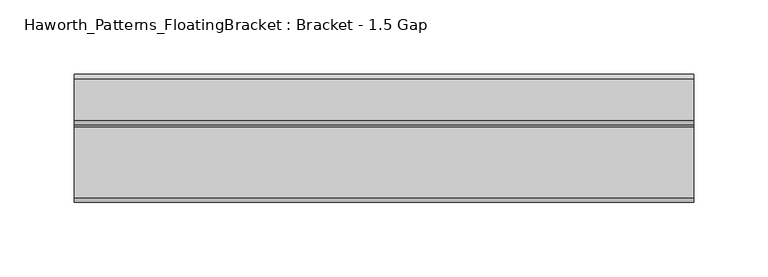
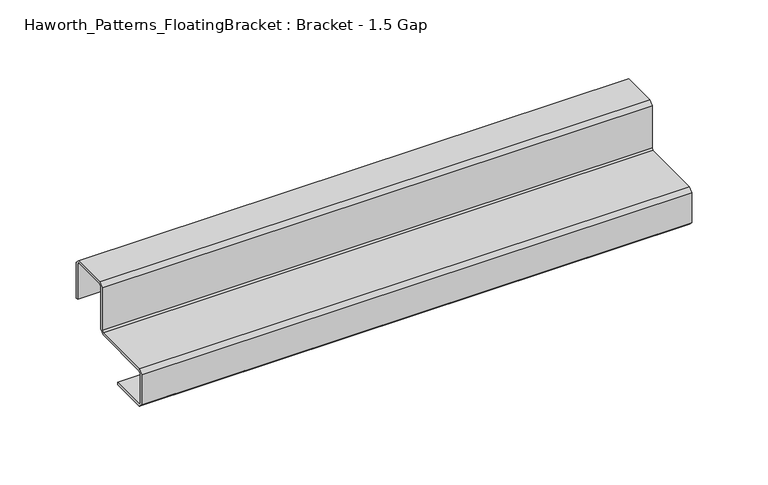
"""IFC4 building model written with IfcOpenShell, lengths in millimetres: furniture geometry, Haworth_Patterns_FloatingBracket : Bracket - 1.5 Gap."""

import ifcopenshell
import ifcopenshell.guid

model = None  # the IFC model being written
_history = None  # IfcOwnerHistory: only IFC2X3 demands one
_inside = {}  # id of a spatial element -> (the spatial element, [elements in it])
_under = {}  # id of a project, library or spatial element -> (it, [spatial elements below it])
_declared = {}  # id of a project -> (the project, [libraries it declares])
_typed = {}  # id of a type object -> (the type object, [elements of that type])
_made_of = {}  # id of a material, layer set ... -> (it, [elements and type objects made of it])


def new_model(schema):
    """Start an empty IFC model of exactly this schema.

    Asked for "IFC4X3", IfcOpenShell would pick the latest addendum, in which some entities
    have other attributes; the version numbers below select the first issue.
    IFC2X3 requires an IfcOwnerHistory on every rooted entity: one is made here for all.
    """
    global model, _history
    if schema == "IFC4X3":
        model = ifcopenshell.file(schema_version=(4, 3, 0, 0))
    else:
        model = ifcopenshell.file(schema=schema)
    _inside.clear()
    _under.clear()
    _declared.clear()
    _typed.clear()
    _made_of.clear()
    _history = None
    if model.schema == "IFC2X3":
        org = make("IfcOrganization", Name="unknown")
        user = make(
            "IfcPersonAndOrganization",
            ThePerson=make("IfcPerson", FamilyName="unknown"),
            TheOrganization=org,
        )
        app = make(
            "IfcApplication",
            ApplicationDeveloper=org,
            Version="unknown",
            ApplicationFullName="unknown",
            ApplicationIdentifier="unknown",
        )
        _history = make(
            "IfcOwnerHistory",
            OwningUser=user,
            OwningApplication=app,
            ChangeAction="ADDED",
            CreationDate=0,
        )
    return model


def make(cls, **values):
    """One entity of the class cls with the attributes given. An attribute that is None is left unset."""
    return model.create_entity(
        cls, **{name: value for name, value in values.items() if value is not None}
    )


def rooted(cls, **values):
    """An entity with a GlobalId (a new one), such as an element, a storey or a relation."""
    return make(cls, GlobalId=ifcopenshell.guid.new(), OwnerHistory=_history, **values)


def si_unit(unit_type, name, prefix=None):
    """IfcSIUnit, for example si_unit("LENGTHUNIT", "METRE", prefix="MILLI")."""
    return make("IfcSIUnit", UnitType=unit_type, Prefix=prefix, Name=name)


def assignment(units):
    """IfcUnitAssignment: the units of a project."""
    return None if units is None else make("IfcUnitAssignment", Units=units)


def point(xyz):
    """IfcCartesianPoint."""
    return None if xyz is None else make("IfcCartesianPoint", Coordinates=xyz)


def direction(xyz):
    """IfcDirection."""
    return None if xyz is None else make("IfcDirection", DirectionRatios=xyz)


def frame(location, z_axis=None, x_axis=None):
    """IfcAxis2Placement3D, a coordinate frame: its origin and axes. An axis left out is left unset."""
    return make(
        "IfcAxis2Placement3D",
        Location=point(location),
        Axis=direction(z_axis),
        RefDirection=direction(x_axis),
    )


def origin():
    """The frame at (0, 0, 0) with its axes left unset."""
    return frame((0.0, 0.0, 0.0))


def place(relative_to, where):
    """IfcLocalPlacement: puts the frame where relative to a parent placement (None: the world)."""
    return make(
        "IfcLocalPlacement", PlacementRelTo=relative_to, RelativePlacement=where
    )


def context(
    kind, dimensions, precision=None, world=None, true_north=None, identifier=None
):
    """IfcGeometricRepresentationContext, for example the 3D "Model" context."""
    return make(
        "IfcGeometricRepresentationContext",
        ContextIdentifier=identifier,
        ContextType=kind,
        CoordinateSpaceDimension=dimensions,
        Precision=precision,
        WorldCoordinateSystem=world,
        TrueNorth=true_north,
    )


def project(units=None, contexts=None):
    """IfcProject with its units and contexts."""
    return rooted(
        "IfcProject",
        Name="project",
        RepresentationContexts=contexts,
        UnitsInContext=assignment(units),
    )


def spatial(cls, under=None, at=None, **own):
    """A site, building, storey or space (cls), placed at a placement, below another one or the project."""
    s = rooted(cls, ObjectPlacement=at, **own)
    if under is not None:
        _under.setdefault(under.id(), (under, []))[1].append(s)
    return s


def polyline(points):
    """IfcPolyline through the points."""
    return make("IfcPolyline", Points=[point(p) for p in points])


def outline(outer, holes=None, kind="AREA"):
    """IfcArbitraryClosedProfileDef: a profile drawn as a closed curve; with holes, ...WithVoids."""
    if holes is None:
        return make("IfcArbitraryClosedProfileDef", ProfileType=kind, OuterCurve=outer)
    return make(
        "IfcArbitraryProfileDefWithVoids",
        ProfileType=kind,
        OuterCurve=outer,
        InnerCurves=holes,
    )


def extrude(swept, where, along, depth):
    """IfcExtrudedAreaSolid: the profile swept, set in the frame where, extruded along a direction by depth."""
    return make(
        "IfcExtrudedAreaSolid",
        SweptArea=swept,
        Position=where,
        ExtrudedDirection=direction(along),
        Depth=depth,
    )


def shape(context_of_items, identifier, shape_type, items):
    """IfcShapeRepresentation: the items that make up one representation, for example the "Body"."""
    return make(
        "IfcShapeRepresentation",
        ContextOfItems=context_of_items,
        RepresentationIdentifier=identifier,
        RepresentationType=shape_type,
        Items=items,
    )


def source(mapping_origin, context_of_items, identifier, shape_type, items):
    """IfcRepresentationMap: a shape defined once, which mapped items show again and again."""
    return make(
        "IfcRepresentationMap",
        MappingOrigin=mapping_origin,
        MappedRepresentation=shape(context_of_items, identifier, shape_type, items),
    )


def transform(
    local_origin,
    x_axis=None,
    y_axis=None,
    z_axis=None,
    scale=None,
    scale2=None,
    scale3=None,
    uniform=True,
):
    """IfcCartesianTransformationOperator3D, or its non-uniform kind. x_axis, y_axis, z_axis: its Axis1, 2, 3."""
    if uniform:
        return make(
            "IfcCartesianTransformationOperator3D",
            Axis1=direction(x_axis),
            Axis2=direction(y_axis),
            LocalOrigin=point(local_origin),
            Scale=scale,
            Axis3=direction(z_axis),
        )
    return make(
        "IfcCartesianTransformationOperator3DnonUniform",
        Axis1=direction(x_axis),
        Axis2=direction(y_axis),
        LocalOrigin=point(local_origin),
        Scale=scale,
        Axis3=direction(z_axis),
        Scale2=scale2,
        Scale3=scale3,
    )


def mapped(mapping_source, mapping_target):
    """IfcMappedItem: shows the shape of a source again, moved by a transform."""
    return make(
        "IfcMappedItem", MappingSource=mapping_source, MappingTarget=mapping_target
    )


def made_of(thing, what):
    """Note that an element or type object is made of a material, layer set ...; save() writes the relation."""
    if what is not None:
        _made_of.setdefault(what.id(), (what, []))[1].append(thing)
    return thing


def element(
    cls,
    number,
    at=None,
    inside=None,
    cuts=None,
    type_object=None,
    material=None,
    context=None,
    identifier="Body",
    shape_type=None,
    held_by="IfcProductDefinitionShape",
    body=None,
    shapes=None,
    **own,
):
    """One element of the class cls, such as IfcWall. Its Tag is "e" and its number.

    at: its placement. inside: the storey or other place that contains it. cuts: it is an
    opening in that element (IfcRelVoidsElement). A single representation is given by context,
    identifier, shape_type and body (its items); several are given by shapes. held_by: the class
    of the entity that holds the representations. save() writes the other relations.
    """
    e = rooted(cls, Tag="e%d" % number, ObjectPlacement=at, **own)
    if body is not None:
        shapes = [shape(context, identifier, shape_type, body)]
    if shapes is not None:
        e.Representation = make(held_by, Representations=shapes)
    if inside is not None:
        _inside.setdefault(inside.id(), (inside, []))[1].append(e)
    if cuts is not None:
        rooted(
            "IfcRelVoidsElement", RelatingBuildingElement=cuts, RelatedOpeningElement=e
        )
    if type_object is not None:
        _typed.setdefault(type_object.id(), (type_object, []))[1].append(e)
    return made_of(e, material)


def aggregate(whole, parts):
    """IfcRelAggregates: a whole, such as a stair, and the parts it consists of."""
    return rooted("IfcRelAggregates", RelatingObject=whole, RelatedObjects=parts)


def save(model, path):
    """Write the relations noted so far, then the file.

    IfcRelAggregates (storeys below a building ...), IfcRelContainedInSpatialStructure (elements
    in a storey), IfcRelDefinesByType, IfcRelAssociatesMaterial and IfcRelDeclares: one each for
    every whole, place, type object, material and project.
    """
    for whole, parts in _under.values():
        aggregate(whole, parts)
    for where, things in _inside.values():
        rooted(
            "IfcRelContainedInSpatialStructure",
            RelatedElements=things,
            RelatingStructure=where,
        )
    for kind, things in _typed.values():
        rooted("IfcRelDefinesByType", RelatedObjects=things, RelatingType=kind)
    for what, things in _made_of.values():
        rooted("IfcRelAssociatesMaterial", RelatedObjects=things, RelatingMaterial=what)
    for by, libraries in _declared.values():
        rooted("IfcRelDeclares", RelatingContext=by, RelatedDefinitions=libraries)
    model.write(path)


def haworth_patterns_floatingbracket_bracket_1_5_gap_53fc126b(model_context):
    return source(origin(), model_context, "Body", "SweptSolid", [
        extrude(outline(polyline([(84.1938562, 704.9528484), (84.1938562, 676.2750242), (82.3721977, 676.2750242), (82.3721977, 704.9262369), (81.102199, 706.1962357), (53.4162526, 706.1962357), (52.1461993, 704.9261824), (52.1461993, 671.1949852), (49.0474014, 668.0961872), (1.2699806, 668.0961872), (0.0, 666.8262066), (0.0, 642.9605316), (1.2700001, 641.6905315), (29.9212001, 641.6905315), (29.9212001, 639.8617187), (1.2699934, 639.8617187), (-1.8288, 642.9605122), (-1.8288, 666.8261999), (1.2700001, 669.925), (49.0474195, 669.925), (50.3174002, 671.1949806), (50.3174002, 704.9261116), (53.4162885, 708.025), (81.1217047, 708.025), (84.1938562, 704.9528484)])), frame((-208.2601563, 0.0, 0.0), z_axis=(1.0, 0.0, 0.0), x_axis=(0.0, 1.0, 0.0)), (0.0, 0.0, 1.0), 416.5203125),
    ])


if __name__ == "__main__":
    model = new_model("IFC4")
    model_context = context("Model", 3, world=origin())
    ifc_project = project(units=[si_unit("LENGTHUNIT", "METRE", prefix="MILLI")], contexts=[model_context])
    site = spatial("IfcSite", under=ifc_project)
    building = spatial("IfcBuilding", under=site)
    placement = place(None, origin())
    haworth_patterns_floatingbracket_bracket_1_5_gap_shape = haworth_patterns_floatingbracket_bracket_1_5_gap_53fc126b(model_context)
    element("IfcFurniture", 1, ObjectType="Haworth_Patterns_FloatingBracket : Bracket - 1.5 Gap", at=placement, inside=building, context=model_context, shape_type="MappedRepresentation", body=[
        mapped(haworth_patterns_floatingbracket_bracket_1_5_gap_shape, transform((0.0, 0.0, 0.0), x_axis=(1.0, 0.0, 0.0), y_axis=(0.0, 1.0, 0.0), z_axis=(0.0, 0.0, 1.0))),
    ])
    save(model, "model.ifc")
